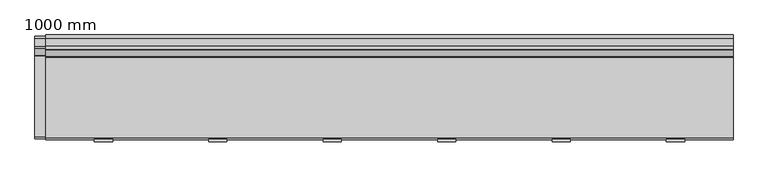
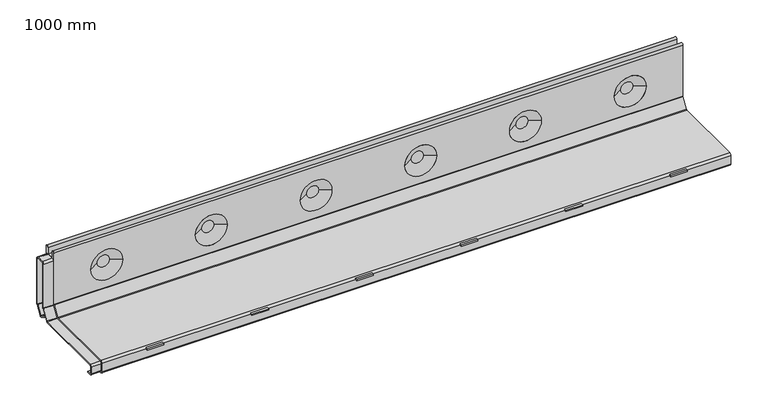
"""IFC4 building model written with IfcOpenShell, lengths in millimetres: proxy geometry, 1000 mm."""

from ifc_helpers import new_model, si_unit, point, frame, frame_2d, origin, place, context, project, spatial, polyline, circle_curve, trimmed, segment, composite_curve, outline, extrude, source, transform, mapped, element, save
from ifc_brep_helpers import plane_surface, cylinder_surface, revolved_surface, advanced_brep


def proxy_1000_mm_bea251c8(model_context):
    return source(origin(), model_context, "Body", "SolidModel", [
        extrude(outline(polyline([(734.75, -52.0), (732.75, -52.0), (732.75, 44.0), (734.75, 44.0), (734.75, -52.0)])), frame((0.0, 0.0, -29.1940506), z_axis=(0.0, 0.0, 1.0), x_axis=(1.0, 0.0, 0.0)), (0.0, 0.0, 1.0), 10.1940506),
        extrude(outline(polyline([(766.75, -52.0), (764.75, -52.0), (764.75, 44.0), (766.75, 44.0), (766.75, -52.0)])), frame((0.0, 0.0, -29.1940506), z_axis=(0.0, 0.0, 1.0), x_axis=(1.0, 0.0, 0.0)), (0.0, 0.0, 1.0), 10.1940506),
        extrude(outline(polyline([(763.0, -78.0), (736.5, -78.0), (736.5, -70.5), (763.0, -70.5), (763.0, -78.0)])), frame((0.0, 0.0, -3.6940506), z_axis=(0.0, 0.0, 1.0), x_axis=(1.0, 0.0, 0.0)), (0.0, 0.0, 1.0), 2.1940506),
        extrude(outline(polyline([(568.25, -52.0), (566.25, -52.0), (566.25, 44.0), (568.25, 44.0), (568.25, -52.0)])), frame((0.0, 0.0, -29.1940506), z_axis=(0.0, 0.0, 1.0), x_axis=(1.0, 0.0, 0.0)), (0.0, 0.0, 1.0), 10.1940506),
        extrude(outline(polyline([(600.25, -52.0), (598.25, -52.0), (598.25, 44.0), (600.25, 44.0), (600.25, -52.0)])), frame((0.0, 0.0, -29.1940506), z_axis=(0.0, 0.0, 1.0), x_axis=(1.0, 0.0, 0.0)), (0.0, 0.0, 1.0), 10.1940506),
        extrude(outline(polyline([(596.5, -78.0), (570.0, -78.0), (570.0, -70.5), (596.5, -70.5), (596.5, -78.0)])), frame((0.0, 0.0, -3.6940506), z_axis=(0.0, 0.0, 1.0), x_axis=(1.0, 0.0, 0.0)), (0.0, 0.0, 1.0), 2.1940506),
        extrude(outline(polyline([(401.75, -52.0), (399.75, -52.0), (399.75, 44.0), (401.75, 44.0), (401.75, -52.0)])), frame((0.0, 0.0, -29.1940506), z_axis=(0.0, 0.0, 1.0), x_axis=(1.0, 0.0, 0.0)), (0.0, 0.0, 1.0), 10.1940506),
        extrude(outline(polyline([(433.75, -52.0), (431.75, -52.0), (431.75, 44.0), (433.75, 44.0), (433.75, -52.0)])), frame((0.0, 0.0, -29.1940506), z_axis=(0.0, 0.0, 1.0), x_axis=(1.0, 0.0, 0.0)), (0.0, 0.0, 1.0), 10.1940506),
        extrude(outline(polyline([(430.0, -78.0), (403.5, -78.0), (403.5, -70.5), (430.0, -70.5), (430.0, -78.0)])), frame((0.0, 0.0, -3.6940506), z_axis=(0.0, 0.0, 1.0), x_axis=(1.0, 0.0, 0.0)), (0.0, 0.0, 1.0), 2.1940506),
        extrude(outline(polyline([(235.25, -52.0), (233.25, -52.0), (233.25, 44.0), (235.25, 44.0), (235.25, -52.0)])), frame((0.0, 0.0, -29.1940506), z_axis=(0.0, 0.0, 1.0), x_axis=(1.0, 0.0, 0.0)), (0.0, 0.0, 1.0), 10.1940506),
        extrude(outline(polyline([(267.25, -52.0), (265.25, -52.0), (265.25, 44.0), (267.25, 44.0), (267.25, -52.0)])), frame((0.0, 0.0, -29.1940506), z_axis=(0.0, 0.0, 1.0), x_axis=(1.0, 0.0, 0.0)), (0.0, 0.0, 1.0), 10.1940506),
        extrude(outline(polyline([(263.5, -78.0), (237.0, -78.0), (237.0, -70.5), (263.5, -70.5), (263.5, -78.0)])), frame((0.0, 0.0, -3.6940506), z_axis=(0.0, 0.0, 1.0), x_axis=(1.0, 0.0, 0.0)), (0.0, 0.0, 1.0), 2.1940506),
        extrude(outline(polyline([(901.25, -52.0), (899.25, -52.0), (899.25, 44.0), (901.25, 44.0), (901.25, -52.0)])), frame((0.0, 0.0, -29.1940506), z_axis=(0.0, 0.0, 1.0), x_axis=(1.0, 0.0, 0.0)), (0.0, 0.0, 1.0), 10.1940506),
        extrude(outline(polyline([(933.25, -52.0), (931.25, -52.0), (931.25, 44.0), (933.25, 44.0), (933.25, -52.0)])), frame((0.0, 0.0, -29.1940506), z_axis=(0.0, 0.0, 1.0), x_axis=(1.0, 0.0, 0.0)), (0.0, 0.0, 1.0), 10.1940506),
        extrude(outline(polyline([(929.5, -78.0), (903.0, -78.0), (903.0, -70.5), (929.5, -70.5), (929.5, -78.0)])), frame((0.0, 0.0, -3.6940506), z_axis=(0.0, 0.0, 1.0), x_axis=(1.0, 0.0, 0.0)), (0.0, 0.0, 1.0), 2.1940506),
        extrude(outline(polyline([(68.75, -52.0), (66.75, -52.0), (66.75, 44.0), (68.75, 44.0), (68.75, -52.0)])), frame((0.0, 0.0, -29.1940506), z_axis=(0.0, 0.0, 1.0), x_axis=(1.0, 0.0, 0.0)), (0.0, 0.0, 1.0), 10.1940506),
        extrude(outline(polyline([(100.75, -52.0), (98.75, -52.0), (98.75, 44.0), (100.75, 44.0), (100.75, -52.0)])), frame((0.0, 0.0, -29.1940506), z_axis=(0.0, 0.0, 1.0), x_axis=(1.0, 0.0, 0.0)), (0.0, 0.0, 1.0), 10.1940506),
        extrude(outline(polyline([(97.0, -78.0), (70.5, -78.0), (70.5, -70.5), (97.0, -70.5), (97.0, -78.0)])), frame((0.0, 0.0, -3.6940506), z_axis=(0.0, 0.0, 1.0), x_axis=(1.0, 0.0, 0.0)), (0.0, 0.0, 1.0), 2.1940506),
        advanced_brep(
        [(0.0, -58.5, -20.5), (0.0, -72.0, -20.5), (0.0, -75.0, -17.5), (0.0, -75.0, -3.0), (0.0, -72.0, 0.0), (0.0, 45.3541436, 0.0), (0.0, 46.6192308, 0.6940506), (0.0, 56.2650872, 15.8350122), (0.0, 56.5, 16.6409616), (0.0, 56.5, 102.745), (0.0, 61.01, 102.745), (0.0, 61.01, 91.8), (0.0, 72.99, 91.8), (0.0, 72.99, 102.7453869), (0.0, 77.5, 102.7453869), (0.0, 77.5, 11.767597), (0.0, 77.0301743, 10.1556982), (0.0, 67.2913074, -5.1312607), (0.0, 67.0563946, -5.9372101), (0.0, 67.0563946, -17.5), (0.0, 64.0563946, -20.5), (0.0, 50.0563946, -20.5), (0.0, 50.0563946, -19.0), (0.0, -58.5, -19.0), (1000.0, -58.5, -20.5), (1000.0, -58.5, -19.0), (1000.0, 50.0563946, -19.0), (1000.0, 50.0563946, -20.5), (1000.0, 64.0563946, -20.5), (1000.0, 67.0563946, -17.5), (1000.0, 67.0563946, -5.9372101), (1000.0, 67.2913074, -5.1312607), (1000.0, 77.0301743, 10.1556982), (1000.0, 77.5, 11.767597), (1000.0, 77.5, 102.7453869), (1000.0, 72.99, 102.7453869), (1000.0, 72.99, 91.8), (1000.0, 61.01, 91.8), (1000.0, 61.01, 102.745), (1000.0, 56.5, 102.745), (1000.0, 56.5, 16.6409616), (1000.0, 56.2650872, 15.8350122), (1000.0, 46.6192308, 0.6940506), (1000.0, 45.3541436, 0.0), (1000.0, -72.0, 0.0), (1000.0, -75.0, -3.0), (1000.0, -75.0, -17.5), (1000.0, -72.0, -20.5), (58.4993164, 77.5, 54.3137619), (109.0006836, 77.5, 54.3137619), (890.9993164, 77.5, 54.3137619), (941.5006836, 77.5, 54.3137619), (224.9993164, 77.5, 54.3137619), (275.5006836, 77.5, 54.3137619), (391.4993164, 77.5, 54.3137619), (442.0006836, 77.5, 54.3137619), (557.9993164, 77.5, 54.3137619), (608.5006836, 77.5, 54.3137619), (724.4993164, 77.5, 54.3137619), (775.0006836, 77.5, 54.3137619), (109.0006836, 56.5, 54.3137619), (58.4993164, 56.5, 54.3137619), (941.5006836, 56.5, 54.3137619), (890.9993164, 56.5, 54.3137619), (275.5006836, 56.5, 54.3137619), (224.9993164, 56.5, 54.3137619), (442.0006836, 56.5, 54.3137619), (391.4993164, 56.5, 54.3137619), (608.5006836, 56.5, 54.3137619), (557.9993164, 56.5, 54.3137619), (775.0006836, 56.5, 54.3137619), (724.4993164, 56.5, 54.3137619), (74.1699511, 66.1172432, 54.3137619), (93.3300489, 66.1172432, 54.3137619), (906.6699511, 66.1172432, 54.3137619), (925.8300489, 66.1172432, 54.3137619), (240.6699511, 66.1172432, 54.3137619), (259.8300489, 66.1172432, 54.3137619), (407.1699511, 66.1172432, 54.3137619), (426.3300489, 66.1172432, 54.3137619), (573.6699511, 66.1172432, 54.3137619), (592.8300489, 66.1172432, 54.3137619), (740.1699511, 66.1172432, 54.3137619), (759.3300489, 66.1172432, 54.3137619), (74.1699511, 67.8827568, 54.3137619), (93.3300489, 67.8827568, 54.3137619), (906.6699511, 67.8827568, 54.3137619), (925.8300489, 67.8827568, 54.3137619), (240.6699511, 67.8827568, 54.3137619), (259.8300489, 67.8827568, 54.3137619), (407.1699511, 67.8827568, 54.3137619), (426.3300489, 67.8827568, 54.3137619), (573.6699511, 67.8827568, 54.3137619), (592.8300489, 67.8827568, 54.3137619), (740.1699511, 67.8827568, 54.3137619), (759.3300489, 67.8827568, 54.3137619)],
        [
            (0, 1),
            (1, 2, circle_curve(frame((0.0, -72.0, -17.5), z_axis=(-1.0, 0.0, 0.0), x_axis=(0.0, 1.0, 0.0)), 3.0)),
            (2, 3),
            (3, 4, circle_curve(frame((0.0, -72.0, -3.0), z_axis=(-1.0, 0.0, 0.0), x_axis=(0.0, 1.0, 0.0)), 3.0)),
            (4, 5),
            (5, 6, circle_curve(frame((0.0, 45.3541436, 1.5), z_axis=(1.0, 0.0, 0.0), x_axis=(0.0, 1.0, 0.0)), 1.5)),
            (6, 7),
            (7, 8, circle_curve(frame((0.0, 55.0, 16.6409616), z_axis=(1.0, 0.0, 0.0), x_axis=(0.0, 1.0, 0.0)), 1.5)),
            (8, 9),
            (9, 10, circle_curve(frame((0.0, 58.755, 102.745), z_axis=(-1.0, 0.0, 0.0), x_axis=(0.0, 1.0, 0.0)), 2.255)),
            (10, 11),
            (11, 12),
            (12, 13),
            (13, 14, circle_curve(frame((0.0, 75.245, 102.7453869), z_axis=(-1.0, 0.0, 0.0), x_axis=(0.0, 1.0, 0.0)), 2.255)),
            (14, 15),
            (15, 16, circle_curve(frame((0.0, 74.5, 11.767597), z_axis=(-1.0, 0.0, 0.0), x_axis=(0.0, 1.0, 0.0)), 3.0)),
            (16, 17),
            (17, 18, circle_curve(frame((0.0, 68.5563946, -5.9372101), z_axis=(1.0, 0.0, 0.0), x_axis=(0.0, 1.0, 0.0)), 1.5)),
            (18, 19),
            (19, 20, circle_curve(frame((0.0, 64.0563946, -17.5), z_axis=(-1.0, 0.0, 0.0), x_axis=(0.0, 1.0, 0.0)), 3.0)),
            (20, 21),
            (21, 22),
            (22, 23),
            (23, 0),
            (24, 25),
            (25, 26),
            (26, 27),
            (27, 28),
            (28, 29, circle_curve(frame((1000.0, 64.0563946, -17.5), z_axis=(1.0, 0.0, 0.0), x_axis=(0.0, 1.0, 0.0)), 3.0)),
            (29, 30),
            (30, 31, circle_curve(frame((1000.0, 68.5563946, -5.9372101), z_axis=(-1.0, 0.0, 0.0), x_axis=(0.0, 1.0, 0.0)), 1.5)),
            (31, 32),
            (32, 33, circle_curve(frame((1000.0, 74.5, 11.767597), z_axis=(1.0, 0.0, 0.0), x_axis=(0.0, 1.0, 0.0)), 3.0)),
            (33, 34),
            (34, 35, circle_curve(frame((1000.0, 75.245, 102.7453869), z_axis=(1.0, 0.0, 0.0), x_axis=(0.0, 1.0, 0.0)), 2.255)),
            (35, 36),
            (36, 37),
            (37, 38),
            (38, 39, circle_curve(frame((1000.0, 58.755, 102.745), z_axis=(1.0, 0.0, 0.0), x_axis=(0.0, 1.0, 0.0)), 2.255)),
            (39, 40),
            (40, 41, circle_curve(frame((1000.0, 55.0, 16.6409616), z_axis=(-1.0, 0.0, 0.0), x_axis=(0.0, 1.0, 0.0)), 1.5)),
            (41, 42),
            (42, 43, circle_curve(frame((1000.0, 45.3541436, 1.5), z_axis=(-1.0, 0.0, 0.0), x_axis=(0.0, 1.0, 0.0)), 1.5)),
            (43, 44),
            (44, 45, circle_curve(frame((1000.0, -72.0, -3.0), z_axis=(1.0, 0.0, 0.0), x_axis=(0.0, 1.0, 0.0)), 3.0)),
            (45, 46),
            (46, 47, circle_curve(frame((1000.0, -72.0, -17.5), z_axis=(1.0, 0.0, 0.0), x_axis=(0.0, 1.0, 0.0)), 3.0)),
            (47, 24),
            (21, 27),
            (26, 22),
            (20, 28),
            (19, 29),
            (18, 30),
            (17, 31),
            (16, 32),
            (15, 33),
            (14, 34),
            (48, 49, circle_curve(frame((83.75, 77.5, 54.3137619), z_axis=(0.0, -1.0, 0.0), x_axis=(1.0, 0.0, 0.0)), 25.2506836)),
            (49, 48, circle_curve(frame((83.75, 77.5, 54.3137619), z_axis=(0.0, -1.0, 0.0), x_axis=(-1.0, 0.0, 0.0)), 25.2506836)),
            (50, 51, circle_curve(frame((916.25, 77.5, 54.3137619), z_axis=(0.0, -1.0, 0.0), x_axis=(1.0, 0.0, 0.0)), 25.2506836)),
            (51, 50, circle_curve(frame((916.25, 77.5, 54.3137619), z_axis=(0.0, -1.0, 0.0), x_axis=(-1.0, 0.0, 0.0)), 25.2506836)),
            (52, 53, circle_curve(frame((250.25, 77.5, 54.3137619), z_axis=(0.0, -1.0, 0.0), x_axis=(1.0, 0.0, 0.0)), 25.2506836)),
            (53, 52, circle_curve(frame((250.25, 77.5, 54.3137619), z_axis=(0.0, -1.0, 0.0), x_axis=(-1.0, 0.0, 0.0)), 25.2506836)),
            (54, 55, circle_curve(frame((416.75, 77.5, 54.3137619), z_axis=(0.0, -1.0, 0.0), x_axis=(1.0, 0.0, 0.0)), 25.2506836)),
            (55, 54, circle_curve(frame((416.75, 77.5, 54.3137619), z_axis=(0.0, -1.0, 0.0), x_axis=(-1.0, 0.0, 0.0)), 25.2506836)),
            (56, 57, circle_curve(frame((583.25, 77.5, 54.3137619), z_axis=(0.0, -1.0, 0.0), x_axis=(1.0, 0.0, 0.0)), 25.2506836)),
            (57, 56, circle_curve(frame((583.25, 77.5, 54.3137619), z_axis=(0.0, -1.0, 0.0), x_axis=(-1.0, 0.0, 0.0)), 25.2506836)),
            (58, 59, circle_curve(frame((749.75, 77.5, 54.3137619), z_axis=(0.0, -1.0, 0.0), x_axis=(1.0, 0.0, 0.0)), 25.2506836)),
            (59, 58, circle_curve(frame((749.75, 77.5, 54.3137619), z_axis=(0.0, -1.0, 0.0), x_axis=(-1.0, 0.0, 0.0)), 25.2506836)),
            (13, 35),
            (12, 36),
            (11, 37),
            (10, 38),
            (9, 39),
            (8, 40),
            (60, 61, circle_curve(frame((83.75, 56.5, 54.3137619), z_axis=(0.0, 1.0, 0.0), x_axis=(-1.0, 0.0, 0.0)), 25.2506836)),
            (61, 60, circle_curve(frame((83.75, 56.5, 54.3137619), z_axis=(0.0, 1.0, 0.0), x_axis=(1.0, 0.0, 0.0)), 25.2506836)),
            (62, 63, circle_curve(frame((916.25, 56.5, 54.3137619), z_axis=(0.0, 1.0, 0.0), x_axis=(-1.0, 0.0, 0.0)), 25.2506836)),
            (63, 62, circle_curve(frame((916.25, 56.5, 54.3137619), z_axis=(0.0, 1.0, 0.0), x_axis=(1.0, 0.0, 0.0)), 25.2506836)),
            (64, 65, circle_curve(frame((250.25, 56.5, 54.3137619), z_axis=(0.0, 1.0, 0.0), x_axis=(-1.0, 0.0, 0.0)), 25.2506836)),
            (65, 64, circle_curve(frame((250.25, 56.5, 54.3137619), z_axis=(0.0, 1.0, 0.0), x_axis=(1.0, 0.0, 0.0)), 25.2506836)),
            (66, 67, circle_curve(frame((416.75, 56.5, 54.3137619), z_axis=(0.0, 1.0, 0.0), x_axis=(-1.0, 0.0, 0.0)), 25.2506836)),
            (67, 66, circle_curve(frame((416.75, 56.5, 54.3137619), z_axis=(0.0, 1.0, 0.0), x_axis=(1.0, 0.0, 0.0)), 25.2506836)),
            (68, 69, circle_curve(frame((583.25, 56.5, 54.3137619), z_axis=(0.0, 1.0, 0.0), x_axis=(-1.0, 0.0, 0.0)), 25.2506836)),
            (69, 68, circle_curve(frame((583.25, 56.5, 54.3137619), z_axis=(0.0, 1.0, 0.0), x_axis=(1.0, 0.0, 0.0)), 25.2506836)),
            (70, 71, circle_curve(frame((749.75, 56.5, 54.3137619), z_axis=(0.0, 1.0, 0.0), x_axis=(-1.0, 0.0, 0.0)), 25.2506836)),
            (71, 70, circle_curve(frame((749.75, 56.5, 54.3137619), z_axis=(0.0, 1.0, 0.0), x_axis=(1.0, 0.0, 0.0)), 25.2506836)),
            (7, 41),
            (6, 42),
            (5, 43),
            (4, 44),
            (3, 45),
            (2, 46),
            (1, 47),
            (0, 24),
            (23, 25),
            (72, 73, circle_curve(frame((83.75, 66.1172432, 54.3137619), z_axis=(0.0, -1.0, 0.0), x_axis=(-1.0, 0.0, 0.0)), 9.5800489)),
            (73, 72, circle_curve(frame((83.75, 66.1172432, 54.3137619), z_axis=(0.0, -1.0, 0.0), x_axis=(1.0, 0.0, 0.0)), 9.5800489)),
            (72, 61),
            (60, 73),
            (74, 75, circle_curve(frame((916.25, 66.1172432, 54.3137619), z_axis=(0.0, -1.0, 0.0), x_axis=(-1.0, 0.0, 0.0)), 9.5800489)),
            (75, 74, circle_curve(frame((916.25, 66.1172432, 54.3137619), z_axis=(0.0, -1.0, 0.0), x_axis=(1.0, 0.0, 0.0)), 9.5800489)),
            (74, 63),
            (62, 75),
            (76, 77, circle_curve(frame((250.25, 66.1172432, 54.3137619), z_axis=(0.0, -1.0, 0.0), x_axis=(-1.0, 0.0, 0.0)), 9.5800489)),
            (77, 76, circle_curve(frame((250.25, 66.1172432, 54.3137619), z_axis=(0.0, -1.0, 0.0), x_axis=(1.0, 0.0, 0.0)), 9.5800489)),
            (76, 65),
            (64, 77),
            (78, 79, circle_curve(frame((416.75, 66.1172432, 54.3137619), z_axis=(0.0, -1.0, 0.0), x_axis=(-1.0, 0.0, 0.0)), 9.5800489)),
            (79, 78, circle_curve(frame((416.75, 66.1172432, 54.3137619), z_axis=(0.0, -1.0, 0.0), x_axis=(1.0, 0.0, 0.0)), 9.5800489)),
            (78, 67),
            (66, 79),
            (80, 81, circle_curve(frame((583.25, 66.1172432, 54.3137619), z_axis=(0.0, -1.0, 0.0), x_axis=(-1.0, 0.0, 0.0)), 9.5800489)),
            (81, 80, circle_curve(frame((583.25, 66.1172432, 54.3137619), z_axis=(0.0, -1.0, 0.0), x_axis=(1.0, 0.0, 0.0)), 9.5800489)),
            (80, 69),
            (68, 81),
            (82, 83, circle_curve(frame((749.75, 66.1172432, 54.3137619), z_axis=(0.0, -1.0, 0.0), x_axis=(-1.0, 0.0, 0.0)), 9.5800489)),
            (83, 82, circle_curve(frame((749.75, 66.1172432, 54.3137619), z_axis=(0.0, -1.0, 0.0), x_axis=(1.0, 0.0, 0.0)), 9.5800489)),
            (82, 71),
            (70, 83),
            (84, 85, circle_curve(frame((83.75, 67.8827568, 54.3137619), z_axis=(0.0, 1.0, 0.0), x_axis=(-1.0, 0.0, 0.0)), 9.5800489)),
            (85, 84, circle_curve(frame((83.75, 67.8827568, 54.3137619), z_axis=(0.0, 1.0, 0.0), x_axis=(1.0, 0.0, 0.0)), 9.5800489)),
            (85, 49),
            (48, 84),
            (86, 87, circle_curve(frame((916.25, 67.8827568, 54.3137619), z_axis=(0.0, 1.0, 0.0), x_axis=(-1.0, 0.0, 0.0)), 9.5800489)),
            (87, 86, circle_curve(frame((916.25, 67.8827568, 54.3137619), z_axis=(0.0, 1.0, 0.0), x_axis=(1.0, 0.0, 0.0)), 9.5800489)),
            (87, 51),
            (50, 86),
            (88, 89, circle_curve(frame((250.25, 67.8827568, 54.3137619), z_axis=(0.0, 1.0, 0.0), x_axis=(-1.0, 0.0, 0.0)), 9.5800489)),
            (89, 88, circle_curve(frame((250.25, 67.8827568, 54.3137619), z_axis=(0.0, 1.0, 0.0), x_axis=(1.0, 0.0, 0.0)), 9.5800489)),
            (89, 53),
            (52, 88),
            (90, 91, circle_curve(frame((416.75, 67.8827568, 54.3137619), z_axis=(0.0, 1.0, 0.0), x_axis=(-1.0, 0.0, 0.0)), 9.5800489)),
            (91, 90, circle_curve(frame((416.75, 67.8827568, 54.3137619), z_axis=(0.0, 1.0, 0.0), x_axis=(1.0, 0.0, 0.0)), 9.5800489)),
            (91, 55),
            (54, 90),
            (92, 93, circle_curve(frame((583.25, 67.8827568, 54.3137619), z_axis=(0.0, 1.0, 0.0), x_axis=(-1.0, 0.0, 0.0)), 9.5800489)),
            (93, 92, circle_curve(frame((583.25, 67.8827568, 54.3137619), z_axis=(0.0, 1.0, 0.0), x_axis=(1.0, 0.0, 0.0)), 9.5800489)),
            (93, 57),
            (56, 92),
            (94, 95, circle_curve(frame((749.75, 67.8827568, 54.3137619), z_axis=(0.0, 1.0, 0.0), x_axis=(-1.0, 0.0, 0.0)), 9.5800489)),
            (95, 94, circle_curve(frame((749.75, 67.8827568, 54.3137619), z_axis=(0.0, 1.0, 0.0), x_axis=(1.0, 0.0, 0.0)), 9.5800489)),
            (95, 59),
            (58, 94),
        ],
        [
            plane_surface(frame((0.0, -58.5, -20.5), z_axis=(-1.0, 0.0, 0.0), x_axis=(0.0, 0.0, -1.0))),
            plane_surface(frame((1000.0, -58.5, -20.5), z_axis=(1.0, 0.0, 0.0), x_axis=(0.0, 0.0, 1.0))),
            plane_surface(frame((1000.0, 50.0563946, -19.0), z_axis=(0.0, -1.0, 0.0), x_axis=(-1.0, 0.0, 0.0))),
            plane_surface(frame((1000.0, 50.0563946, -20.5), z_axis=(0.0, 0.0, -1.0), x_axis=(-1.0, 0.0, 0.0))),
            cylinder_surface(frame((0.0, 64.0563946, -17.5), z_axis=(1.0, 0.0, 0.0), x_axis=(0.0, 1.0, 0.0)), 3.0),
            plane_surface(frame((1000.0, 67.0563946, -17.5), z_axis=(0.0, 1.0, 0.0), x_axis=(-1.0, 0.0, 0.0))),
            revolved_surface(polyline([(0.0, 70.0563946, -5.9372101), (1000.0, 70.0563946, -5.9372101)]), (0.0, 68.5563946, -5.9372101), (-1.0, 0.0, 0.0)),
            plane_surface(frame((1000.0, 67.2913074, -5.1312607), z_axis=(0.0, 0.8433914458128804, -0.5372996083468322), x_axis=(-1.0, 0.0, 0.0))),
            cylinder_surface(frame((0.0, 74.5, 11.767597), z_axis=(1.0, 0.0, 0.0), x_axis=(0.0, 1.0, 0.0)), 3.0),
            plane_surface(frame((1000.0, 77.5, 11.767597), z_axis=(0.0, 1.0, 0.0), x_axis=(-1.0, 0.0, 0.0))),
            cylinder_surface(frame((0.0, 75.245, 102.7453869), z_axis=(1.0, 0.0, 0.0), x_axis=(0.0, 1.0, 0.0)), 2.255),
            plane_surface(frame((1000.0, 72.99, 102.7453869), z_axis=(0.0, -1.0, 0.0), x_axis=(-1.0, 0.0, 0.0))),
            plane_surface(frame((1000.0, 72.99, 91.8), z_axis=(0.0, 0.0, 1.0), x_axis=(-1.0, 0.0, 0.0))),
            plane_surface(frame((1000.0, 61.01, 91.8), z_axis=(0.0, 1.0, 0.0), x_axis=(-1.0, 0.0, 0.0))),
            cylinder_surface(frame((0.0, 58.755, 102.745), z_axis=(1.0, 0.0, 0.0), x_axis=(0.0, 1.0, 0.0)), 2.255),
            plane_surface(frame((1000.0, 56.5, 102.745), z_axis=(0.0, -1.0, 0.0), x_axis=(-1.0, 0.0, 0.0))),
            revolved_surface(polyline([(0.0, 56.5, 16.6409616), (1000.0, 56.5, 16.6409616)]), (0.0, 55.0, 16.6409616), (-1.0, 0.0, 0.0)),
            plane_surface(frame((1000.0, 56.2650872, 15.8350122), z_axis=(0.0, -0.8433914458128925, 0.5372996083468133), x_axis=(-1.0, 0.0, 0.0))),
            revolved_surface(polyline([(0.0, 46.8541436, 1.5), (1000.0, 46.8541436, 1.5)]), (0.0, 45.3541436, 1.5), (-1.0, 0.0, 0.0)),
            plane_surface(frame((1000.0, 45.3541436, 0.0), z_axis=(0.0, 0.0, 1.0), x_axis=(-1.0, 0.0, 0.0))),
            cylinder_surface(frame((0.0, -72.0, -3.0), z_axis=(1.0, 0.0, 0.0), x_axis=(0.0, 1.0, 0.0)), 3.0),
            plane_surface(frame((1000.0, -75.0, -3.0), z_axis=(0.0, -1.0, 0.0), x_axis=(-1.0, 0.0, 0.0))),
            cylinder_surface(frame((0.0, -72.0, -17.5), z_axis=(1.0, 0.0, 0.0), x_axis=(0.0, 1.0, 0.0)), 3.0),
            plane_surface(frame((1000.0, -72.0, -20.5), z_axis=(0.0, 0.0, -1.0), x_axis=(-1.0, 0.0, 0.0))),
            plane_surface(frame((1000.0, -58.5, -20.5), z_axis=(0.0, 1.0, 0.0), x_axis=(-1.0, 0.0, 0.0))),
            plane_surface(frame((1000.0, -58.5, -19.0), z_axis=(0.0, 0.0, -1.0), x_axis=(-1.0, 0.0, 0.0))),
            plane_surface(frame((83.75, 66.1172432, 54.3137619), z_axis=(0.0, -1.0, 0.0), x_axis=(0.0, 0.0, -1.0))),
            revolved_surface(polyline([(58.4993164, 56.5, 54.3137619), (74.16995110122151, 66.1172432, 54.3137619)]), (83.75, 71.996626, 54.3137619), (0.0, -1.0, 0.0)),
            revolved_surface(polyline([(109.0006836, 56.5, 54.3137619), (93.33004889877849, 66.1172432, 54.3137619)]), (83.75, 71.996626, 54.3137619), (0.0, -1.0, 0.0)),
            plane_surface(frame((916.25, 66.1172432, 54.3137619), z_axis=(0.0, -1.0, 0.0), x_axis=(0.0, 0.0, -1.0))),
            revolved_surface(polyline([(890.9993164, 56.5, 54.3137619), (906.6699511012215, 66.1172432, 54.3137619)]), (916.25, 71.996626, 54.3137619), (0.0, -1.0, 0.0)),
            revolved_surface(polyline([(941.5006836, 56.5, 54.3137619), (925.8300488987785, 66.1172432, 54.3137619)]), (916.25, 71.996626, 54.3137619), (0.0, -1.0, 0.0)),
            plane_surface(frame((250.25, 66.1172432, 54.3137619), z_axis=(0.0, -1.0, 0.0), x_axis=(0.0, 0.0, -1.0))),
            revolved_surface(polyline([(224.9993164, 56.5, 54.3137619), (240.6699511012215, 66.1172432, 54.3137619)]), (250.25, 71.996626, 54.3137619), (0.0, -1.0, 0.0)),
            revolved_surface(polyline([(275.5006836, 56.5, 54.3137619), (259.8300488987785, 66.1172432, 54.3137619)]), (250.25, 71.996626, 54.3137619), (0.0, -1.0, 0.0)),
            plane_surface(frame((416.75, 66.1172432, 54.3137619), z_axis=(0.0, -1.0, 0.0), x_axis=(0.0, 0.0, -1.0))),
            revolved_surface(polyline([(391.4993164, 56.5, 54.3137619), (407.1699511012215, 66.1172432, 54.3137619)]), (416.75, 71.996626, 54.3137619), (0.0, -1.0, 0.0)),
            revolved_surface(polyline([(442.0006836, 56.5, 54.3137619), (426.3300488987785, 66.1172432, 54.3137619)]), (416.75, 71.996626, 54.3137619), (0.0, -1.0, 0.0)),
            plane_surface(frame((583.25, 66.1172432, 54.3137619), z_axis=(0.0, -1.0, 0.0), x_axis=(0.0, 0.0, -1.0))),
            revolved_surface(polyline([(557.9993164, 56.5, 54.3137619), (573.6699511012215, 66.1172432, 54.3137619)]), (583.25, 71.996626, 54.3137619), (0.0, -1.0, 0.0)),
            revolved_surface(polyline([(608.5006836, 56.5, 54.3137619), (592.8300488987785, 66.1172432, 54.3137619)]), (583.25, 71.996626, 54.3137619), (0.0, -1.0, 0.0)),
            plane_surface(frame((749.75, 66.1172432, 54.3137619), z_axis=(0.0, -1.0, 0.0), x_axis=(0.0, 0.0, -1.0))),
            revolved_surface(polyline([(724.4993164, 56.5, 54.3137619), (740.1699511012215, 66.1172432, 54.3137619)]), (749.75, 71.996626, 54.3137619), (0.0, -1.0, 0.0)),
            revolved_surface(polyline([(775.0006836, 56.5, 54.3137619), (759.3300488987785, 66.1172432, 54.3137619)]), (749.75, 71.996626, 54.3137619), (0.0, -1.0, 0.0)),
            plane_surface(frame((83.75, 67.8827568, 54.3137619), z_axis=(0.0, 1.0, 0.0), x_axis=(0.0, 0.0, 1.0))),
            revolved_surface(polyline([(109.0006836, 77.5, 54.3137619), (93.33004889877849, 67.8827568, 54.3137619)]), (83.75, 62.003374, 54.3137619), (0.0, 1.0, 0.0)),
            revolved_surface(polyline([(58.4993164, 77.5, 54.3137619), (74.16995110122151, 67.8827568, 54.3137619)]), (83.75, 62.003374, 54.3137619), (0.0, 1.0, 0.0)),
            plane_surface(frame((916.25, 67.8827568, 54.3137619), z_axis=(0.0, 1.0, 0.0), x_axis=(0.0, 0.0, 1.0))),
            revolved_surface(polyline([(941.5006836, 77.5, 54.3137619), (925.8300488987785, 67.8827568, 54.3137619)]), (916.25, 62.003374, 54.3137619), (0.0, 1.0, 0.0)),
            revolved_surface(polyline([(890.9993164, 77.5, 54.3137619), (906.6699511012215, 67.8827568, 54.3137619)]), (916.25, 62.003374, 54.3137619), (0.0, 1.0, 0.0)),
            plane_surface(frame((250.25, 67.8827568, 54.3137619), z_axis=(0.0, 1.0, 0.0), x_axis=(0.0, 0.0, 1.0))),
            revolved_surface(polyline([(275.5006836, 77.5, 54.3137619), (259.8300488987785, 67.8827568, 54.3137619)]), (250.25, 62.003374, 54.3137619), (0.0, 1.0, 0.0)),
            revolved_surface(polyline([(224.9993164, 77.5, 54.3137619), (240.66995110122153, 67.8827568, 54.3137619)]), (250.25, 62.003374, 54.3137619), (0.0, 1.0, 0.0)),
            plane_surface(frame((416.75, 67.8827568, 54.3137619), z_axis=(0.0, 1.0, 0.0), x_axis=(0.0, 0.0, 1.0))),
            revolved_surface(polyline([(442.0006836, 77.5, 54.3137619), (426.3300488987785, 67.8827568, 54.3137619)]), (416.75, 62.003374, 54.3137619), (0.0, 1.0, 0.0)),
            revolved_surface(polyline([(391.4993164, 77.5, 54.3137619), (407.1699511012215, 67.8827568, 54.3137619)]), (416.75, 62.003374, 54.3137619), (0.0, 1.0, 0.0)),
            plane_surface(frame((583.25, 67.8827568, 54.3137619), z_axis=(0.0, 1.0, 0.0), x_axis=(0.0, 0.0, 1.0))),
            revolved_surface(polyline([(608.5006836, 77.5, 54.3137619), (592.8300488987785, 67.8827568, 54.3137619)]), (583.25, 62.003374, 54.3137619), (0.0, 1.0, 0.0)),
            revolved_surface(polyline([(557.9993164, 77.5, 54.3137619), (573.6699511012215, 67.8827568, 54.3137619)]), (583.25, 62.003374, 54.3137619), (0.0, 1.0, 0.0)),
            plane_surface(frame((749.75, 67.8827568, 54.3137619), z_axis=(0.0, 1.0, 0.0), x_axis=(0.0, 0.0, 1.0))),
            revolved_surface(polyline([(775.0006836, 77.5, 54.3137619), (759.3300488987785, 67.8827568, 54.3137619)]), (749.75, 62.003374, 54.3137619), (0.0, 1.0, 0.0)),
            revolved_surface(polyline([(724.4993164, 77.5, 54.3137619), (740.1699511012215, 67.8827568, 54.3137619)]), (749.75, 62.003374, 54.3137619), (0.0, 1.0, 0.0)),
        ],
        [
            (0, [[1, 2, 3, 4, 5, 6, 7, 8, 9, 10, 11, 12, 13, 14, 15, 16, 17, 18, 19, 20, 21, 22, 23, 24]]),
            (1, [[25, 26, 27, 28, 29, 30, 31, 32, 33, 34, 35, 36, 37, 38, 39, 40, 41, 42, 43, 44, 45, 46, 47, 48]]),
            (2, [[-22, 49, -27, 50]]),
            (3, [[-21, 51, -28, -49]]),
            (4, [[-20, 52, -29, -51]]),
            (5, [[-19, 53, -30, -52]]),
            (6, [[-18, 54, -31, -53]]),
            (7, [[-17, 55, -32, -54]]),
            (8, [[-16, 56, -33, -55]]),
            (9, [[-15, 57, -34, -56], [58, 59], [60, 61], [62, 63], [64, 65], [66, 67], [68, 69]]),
            (10, [[-14, 70, -35, -57]]),
            (11, [[-13, 71, -36, -70]]),
            (12, [[-12, 72, -37, -71]]),
            (13, [[-11, 73, -38, -72]]),
            (14, [[-10, 74, -39, -73]]),
            (15, [[-9, 75, -40, -74], [76, 77], [78, 79], [80, 81], [82, 83], [84, 85], [86, 87]]),
            (16, [[-8, 88, -41, -75]]),
            (17, [[-7, 89, -42, -88]]),
            (18, [[-6, 90, -43, -89]]),
            (19, [[-5, 91, -44, -90]]),
            (20, [[-4, 92, -45, -91]]),
            (21, [[-3, 93, -46, -92]]),
            (22, [[-2, 94, -47, -93]]),
            (23, [[-1, 95, -48, -94]]),
            (24, [[-24, 96, -25, -95]]),
            (25, [[-23, -50, -26, -96]]),
            (26, [[97, 98]]),
            (27, [[-97, 99, -76, 100]]),
            (28, [[-98, -100, -77, -99]]),
            (29, [[101, 102]]),
            (30, [[-101, 103, -78, 104]]),
            (31, [[-102, -104, -79, -103]]),
            (32, [[105, 106]]),
            (33, [[-105, 107, -80, 108]]),
            (34, [[-106, -108, -81, -107]]),
            (35, [[109, 110]]),
            (36, [[-109, 111, -82, 112]]),
            (37, [[-110, -112, -83, -111]]),
            (38, [[113, 114]]),
            (39, [[-113, 115, -84, 116]]),
            (40, [[-114, -116, -85, -115]]),
            (41, [[117, 118]]),
            (42, [[-117, 119, -86, 120]]),
            (43, [[-118, -120, -87, -119]]),
            (44, [[121, 122]]),
            (45, [[-122, 123, -58, 124]]),
            (46, [[-121, -124, -59, -123]]),
            (47, [[125, 126]]),
            (48, [[-126, 127, -60, 128]]),
            (49, [[-125, -128, -61, -127]]),
            (50, [[129, 130]]),
            (51, [[-130, 131, -62, 132]]),
            (52, [[-129, -132, -63, -131]]),
            (53, [[133, 134]]),
            (54, [[-134, 135, -64, 136]]),
            (55, [[-133, -136, -65, -135]]),
            (56, [[137, 138]]),
            (57, [[-138, 139, -66, 140]]),
            (58, [[-137, -140, -67, -139]]),
            (59, [[141, 142]]),
            (60, [[-142, 143, -68, 144]]),
            (61, [[-141, -144, -69, -143]]),
        ],
    ),
        extrude(outline(composite_curve([segment(trimmed(circle_curve(frame_2d((-70.5, -16.0)), 3.0), [point((-70.5, -19.0))], [point((-73.5, -16.0))], False, "CARTESIAN"), True, "CONTINUOUS"), segment(polyline([(-73.5, -16.0), (-73.5, -4.5)]), True, "CONTINUOUS"), segment(trimmed(circle_curve(frame_2d((-70.5, -4.5)), 3.0), [point((-73.5, -4.5))], [point((-70.5, -1.5))], False, "CARTESIAN"), True, "CONTINUOUS"), segment(polyline([(-70.5, -1.5), (46.8770718, -1.5)]), True, "CONTINUOUS"), segment(trimmed(circle_curve(frame_2d((46.8770718, 0.0)), 1.5), [point((46.8770718, -1.5))], [point((48.142159, -0.8059494))], True, "CARTESIAN"), True, "CONTINUOUS"), segment(polyline([(48.142159, -0.8059494), (57.7650872, 14.2990222)]), True, "CONTINUOUS"), segment(trimmed(circle_curve(frame_2d((56.5, 15.1049716)), 1.5), [point((57.7650872, 14.2990222))], [point((58.0, 15.1049716))], True, "CARTESIAN"), True, "CONTINUOUS"), segment(polyline([(58.0, 15.1049716), (58.0, 88.8)]), True, "CONTINUOUS"), segment(trimmed(circle_curve(frame_2d((61.0, 88.8)), 3.0), [point((58.0, 88.8))], [point((61.0, 91.8))], False, "CARTESIAN"), True, "CONTINUOUS"), segment(polyline([(61.0, 91.8), (72.75, 91.8)]), True, "CONTINUOUS"), segment(trimmed(circle_curve(frame_2d((72.75, 88.8)), 3.0), [point((72.75, 91.8))], [point((75.75, 88.8))], False, "CARTESIAN"), True, "CONTINUOUS"), segment(polyline([(75.75, 88.8), (75.75, 11.9636974)]), True, "CONTINUOUS"), segment(trimmed(circle_curve(frame_2d((72.75, 11.9636974)), 3.0), [point((75.75, 11.9636974))], [point((75.2801743, 10.3517986))], False, "CARTESIAN"), True, "CONTINUOUS"), segment(polyline([(75.2801743, 10.3517986), (66.809512, -2.9444778)]), True, "CONTINUOUS"), segment(trimmed(circle_curve(frame_2d((64.2793377, -1.332579)), 3.0), [point((66.809512, -2.9444778))], [point((62.6674389, -3.8627533))], False, "CARTESIAN"), True, "CONTINUOUS"), segment(polyline([(62.6674389, -3.8627533), (53.1792851, 2.1818673), (53.9852345, 3.4469544), (63.4733883, -2.5976662)]), True, "CONTINUOUS"), segment(trimmed(circle_curve(frame_2d((64.2793377, -1.332579)), 1.5), [point((63.4733883, -2.5976662))], [point((65.5444249, -2.1385284))], True, "CARTESIAN"), True, "CONTINUOUS"), segment(polyline([(65.5444249, -2.1385284), (74.0150872, 11.157748)]), True, "CONTINUOUS"), segment(trimmed(circle_curve(frame_2d((72.75, 11.9636974)), 1.5), [point((74.0150872, 11.157748))], [point((74.25, 11.9636974))], True, "CARTESIAN"), True, "CONTINUOUS"), segment(polyline([(74.25, 11.9636974), (74.25, 88.8)]), True, "CONTINUOUS"), segment(trimmed(circle_curve(frame_2d((72.75, 88.8)), 1.5), [point((74.25, 88.8))], [point((72.75, 90.3))], True, "CARTESIAN"), True, "CONTINUOUS"), segment(polyline([(72.75, 90.3), (61.0, 90.3)]), True, "CONTINUOUS"), segment(trimmed(circle_curve(frame_2d((61.0, 88.8)), 1.5), [point((61.0, 90.3))], [point((59.5, 88.8))], True, "CARTESIAN"), True, "CONTINUOUS"), segment(polyline([(59.5, 88.8), (59.5, 15.1049716)]), True, "CONTINUOUS"), segment(trimmed(circle_curve(frame_2d((56.5, 15.1049716)), 3.0), [point((59.5, 15.1049716))], [point((59.0301743, 13.4930727))], False, "CARTESIAN"), True, "CONTINUOUS"), segment(polyline([(59.0301743, 13.4930727), (49.4072462, -1.6118988)]), True, "CONTINUOUS"), segment(trimmed(circle_curve(frame_2d((46.8770718, 0.0)), 3.0), [point((49.4072462, -1.6118988))], [point((46.8770718, -3.0))], False, "CARTESIAN"), True, "CONTINUOUS"), segment(polyline([(46.8770718, -3.0), (-70.5, -3.0)]), True, "CONTINUOUS"), segment(trimmed(circle_curve(frame_2d((-70.5, -4.5)), 1.5), [point((-70.5, -3.0))], [point((-72.0, -4.5))], True, "CARTESIAN"), True, "CONTINUOUS"), segment(polyline([(-72.0, -4.5), (-72.0, -16.0)]), True, "CONTINUOUS"), segment(trimmed(circle_curve(frame_2d((-70.5, -16.0)), 1.5), [point((-72.0, -16.0))], [point((-70.5, -17.5))], True, "CARTESIAN"), True, "CONTINUOUS"), segment(polyline([(-70.5, -17.5), (-64.5, -17.5), (-64.5, -19.0), (-70.5, -19.0)]), True, "CONTINUOUS")], self_intersect=False)), frame((-16.0, 0.0, 0.0), z_axis=(1.0, 0.0, 0.0), x_axis=(0.0, 1.0, 0.0)), (0.0, 0.0, 1.0), 16.0),
    ])


if __name__ == "__main__":
    model = new_model("IFC4")
    model_context = context("Model", 3, world=origin())
    ifc_project = project(units=[si_unit("LENGTHUNIT", "METRE", prefix="MILLI")], contexts=[model_context])
    site = spatial("IfcSite", under=ifc_project)
    building = spatial("IfcBuilding", under=site)
    placement = place(None, origin())
    proxy_1000_mm_shape = proxy_1000_mm_bea251c8(model_context)
    element("IfcBuildingElementProxy", 1, Name="1000 mm", ObjectType="1000 mm", at=placement, inside=building, context=model_context, shape_type="MappedRepresentation", body=[
        mapped(proxy_1000_mm_shape, transform((0.0, 0.0, 0.0), x_axis=(1.0, 0.0, 0.0), y_axis=(0.0, 1.0, 0.0), z_axis=(0.0, 0.0, 1.0))),
    ])
    save(model, "model.ifc")
